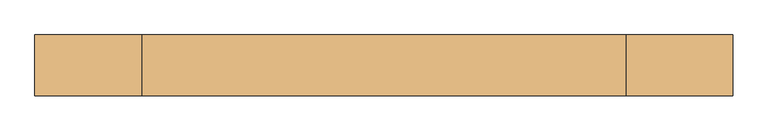
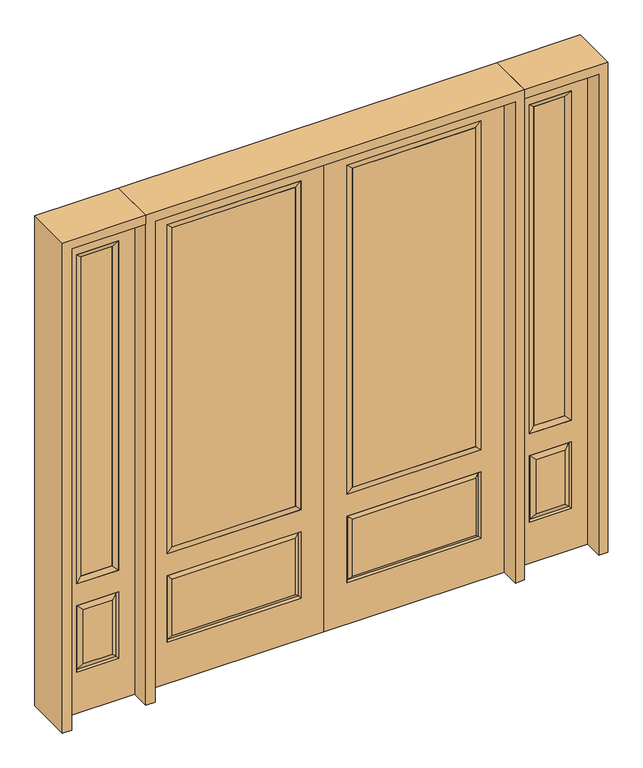
"""IFC4 building model written with IfcOpenShell, lengths in millimetres: door geometry."""

from ifc_helpers import new_model, si_unit, frame, origin, place, context, project, spatial, polyline, outline, extrude, faceted_brep, source, transform, mapped, element, save


def door_6f6eed37(model_context):
    return source(origin(), model_context, "Body", "SolidModel", [
        extrude(outline(polyline([(136.525, -20.32), (136.525, 5.08), (727.075, 5.08), (727.075, -20.32), (136.525, -20.32)])), frame((0.0, 0.0, 682.498), z_axis=(0.0, 0.0, 1.0), x_axis=(1.0, 0.0, 0.0)), (0.0, 0.0, 1.0), 1616.202),
        faceted_brep([(745.3661499, -12.7912373, 216.6588501), (727.86875, -22.225, 234.15625), (135.73125, -22.225, 234.15625), (118.2338501, -12.7912373, 216.6588501), (111.125, -22.225, 209.55), (752.475, -22.225, 209.55), (752.475, -22.225, 546.1), (745.3661499, -12.7912373, 538.9911499), (0.0, -22.225, 2438.4), (0.0, -22.225, 0.0), (863.6, -22.225, 0.0), (863.6, -22.225, 2438.4), (111.125, -22.225, 546.1), (111.125, -22.225, 2324.1), (752.475, -22.225, 2324.1), (752.475, -22.225, 657.098), (111.125, -22.225, 657.098), (727.86875, -22.225, 521.49375), (135.73125, -22.225, 521.49375), (118.2338501, -12.7912373, 538.9911499), (863.6, 22.225, 0.0), (863.6, 22.225, 2438.4), (0.0, 22.225, 0.0), (0.0, 22.225, 2438.4), (111.125, 22.225, 657.098), (111.125, 22.225, 2324.1), (752.475, 22.225, 657.098), (752.475, 22.225, 2324.1), (135.73125, 22.225, 234.15625), (135.73125, 22.225, 521.49375), (727.86875, 22.225, 521.49375), (727.86875, 22.225, 234.15625), (752.475, 22.225, 209.55), (752.475, 22.225, 546.1), (111.125, 22.225, 546.1), (111.125, 22.225, 209.55), (118.2338501, 12.7912373, 216.6588501), (745.3661499, 12.7912373, 216.6588501), (118.2338501, 12.7912373, 538.9911499), (745.3661499, 12.7912373, 538.9911499)], [[[0, 1, 2, 3]], [[3, 4, 5, 0]], [[5, 6, 7, 0]], [[8, 9, 10, 11], [4, 12, 6, 5], [13, 14, 15, 16]], [[1, 17, 18, 2]], [[3, 19, 12, 4]], [[2, 18, 19, 3]], [[0, 7, 17, 1]], [[6, 12, 19, 7]], [[7, 19, 18, 17]], [[10, 20, 21, 11]], [[9, 22, 20, 10]], [[8, 23, 22, 9]], [[16, 24, 25, 13]], [[15, 26, 24, 16]], [[14, 27, 26, 15]], [[28, 29, 30, 31]], [[23, 21, 20, 22], [25, 24, 26, 27], [32, 33, 34, 35]], [[32, 35, 36, 37]], [[35, 34, 38, 36]], [[39, 38, 34, 33]], [[37, 39, 33, 32]], [[36, 28, 31, 37]], [[31, 30, 39, 37]], [[30, 29, 38, 39]], [[36, 38, 29, 28]], [[11, 21, 23, 8]], [[13, 25, 27, 14]]]),
        faceted_brep([(752.475, -22.225, 2324.1), (752.475, -22.225, 657.098), (752.475, 22.225, 657.098), (752.475, 22.225, 2324.1), (111.125, -22.225, 657.098), (111.125, 22.225, 657.098), (136.525, 5.08, 682.498), (727.075, 5.08, 682.498), (111.125, -22.225, 2324.1), (111.125, 22.225, 2324.1), (727.075, -20.32, 682.498), (136.525, -20.32, 682.498), (727.075, -20.32, 2298.7), (136.525, -20.32, 2298.7), (727.075, 5.08, 2298.7), (136.525, 5.08, 2298.7)], [[[0, 1, 2, 3]], [[1, 4, 5, 2]], [[2, 5, 6, 7]], [[4, 8, 9, 5]], [[10, 11, 4, 1]], [[12, 10, 1, 0]], [[11, 13, 8, 4]], [[7, 6, 11, 10]], [[14, 7, 10, 12]], [[6, 15, 13, 11]], [[3, 2, 7, 14]], [[5, 9, 15, 6]], [[8, 0, 3, 9]], [[13, 12, 0, 8]], [[15, 14, 12, 13]], [[9, 3, 14, 15]]]),
        faceted_brep([(908.05, -22.225, 0.0), (1263.65, -22.225, 0.0), (1263.65, -22.225, 2438.4), (908.05, -22.225, 2438.4), (1186.18, -22.225, 2325.624), (1186.18, -22.225, 657.098), (985.52, -22.225, 657.098), (985.52, -22.225, 2325.624), (1186.18, -22.225, 209.55), (985.52, -22.225, 209.55), (985.52, -22.225, 546.1), (1186.18, -22.225, 546.1), (1017.2351001, -22.225, 241.2651001), (1154.4648999, -22.225, 241.2651001), (1154.4648999, -22.225, 514.3848999), (1017.2351001, -22.225, 514.3848999), (908.05, 22.225, 0.0), (908.05, 22.225, 2438.4), (1263.65, 22.225, 2438.4), (1263.65, 22.225, 0.0), (1186.18, 22.225, 2325.624), (985.52, 22.225, 2325.624), (985.52, 22.225, 657.098), (1186.18, 22.225, 657.098), (985.52, 22.225, 209.55), (1186.18, 22.225, 209.55), (1186.18, 22.225, 546.1), (985.52, 22.225, 546.1), (1154.4648999, 22.225, 241.2651001), (1017.2351001, 22.225, 241.2651001), (1017.2351001, 22.225, 514.3848999), (1154.4648999, 22.225, 514.3848999), (1179.0711499, 12.7912373, 216.6588501), (992.6288501, 12.7912373, 216.6588501), (992.6288501, 12.7912373, 538.9911499), (1179.0711499, 12.7912373, 538.9911499), (992.6288501, -12.7912373, 216.6588501), (1179.0711499, -12.7912373, 216.6588501), (992.6288501, -12.7912373, 538.9911499), (1179.0711499, -12.7912373, 538.9911499)], [[[0, 1, 2, 3], [4, 5, 6, 7], [8, 9, 10, 11]], [[12, 13, 14, 15]], [[16, 17, 18, 19], [20, 21, 22, 23], [24, 25, 26, 27]], [[28, 29, 30, 31]], [[1, 0, 16, 19]], [[2, 1, 19, 18]], [[3, 2, 18, 17]], [[0, 3, 17, 16]], [[5, 4, 20, 23]], [[6, 5, 23, 22]], [[7, 6, 22, 21]], [[4, 7, 21, 20]], [[32, 33, 29, 28]], [[33, 32, 25, 24]], [[29, 33, 34, 30]], [[33, 24, 27, 34]], [[30, 34, 35, 31]], [[34, 27, 26, 35]], [[32, 28, 31, 35]], [[25, 32, 35, 26]], [[12, 36, 37, 13]], [[37, 36, 9, 8]], [[36, 12, 15, 38]], [[9, 36, 38, 10]], [[38, 15, 14, 39]], [[10, 38, 39, 11]], [[13, 37, 39, 14]], [[37, 8, 11, 39]]]),
        faceted_brep([(985.52, 22.225, 2325.624), (985.52, -22.225, 2325.624), (1186.18, -22.225, 2325.624), (1186.18, 22.225, 2325.624), (1010.92, 12.7, 2300.224), (1160.78, 12.7, 2300.224), (1010.92, -12.7, 2300.224), (1160.78, -12.7, 2300.224), (1186.18, -22.225, 657.098), (1186.18, 22.225, 657.098), (1160.78, 12.7, 682.498), (1160.78, -12.7, 682.498), (985.52, -22.225, 657.098), (985.52, 22.225, 657.098), (1010.92, 12.7, 682.498), (1010.92, -12.7, 682.498)], [[[0, 1, 2, 3]], [[4, 0, 3, 5]], [[6, 4, 5, 7]], [[1, 6, 7, 2]], [[3, 2, 8, 9]], [[5, 3, 9, 10]], [[7, 5, 10, 11]], [[2, 7, 11, 8]], [[9, 8, 12, 13]], [[10, 9, 13, 14]], [[11, 10, 14, 15]], [[8, 11, 15, 12]], [[13, 12, 1, 0]], [[14, 13, 0, 4]], [[15, 14, 4, 6]], [[12, 15, 6, 1]]]),
        extrude(outline(polyline([(1160.78, -12.7), (1010.92, -12.7), (1010.92, 12.7), (1160.78, 12.7), (1160.78, -12.7)])), frame((0.0, 0.0, 682.498), z_axis=(0.0, 0.0, 1.0), x_axis=(1.0, 0.0, 0.0)), (0.0, 0.0, 1.0), 1617.726),
        faceted_brep([(-1263.65, -22.225, 0.0), (-908.05, -22.225, 0.0), (-908.05, -22.225, 2438.4), (-1263.65, -22.225, 2438.4), (-985.52, -22.225, 2325.624), (-985.52, -22.225, 657.098), (-1186.18, -22.225, 657.098), (-1186.18, -22.225, 2325.624), (-985.52, -22.225, 209.55), (-1186.18, -22.225, 209.55), (-1186.18, -22.225, 546.1), (-985.52, -22.225, 546.1), (-1154.4648999, -22.225, 241.2651001), (-1017.2351001, -22.225, 241.2651001), (-1017.2351001, -22.225, 514.3848999), (-1154.4648999, -22.225, 514.3848999), (-1263.65, 22.225, 0.0), (-1263.65, 22.225, 2438.4), (-908.05, 22.225, 2438.4), (-908.05, 22.225, 0.0), (-985.52, 22.225, 2325.624), (-1186.18, 22.225, 2325.624), (-1186.18, 22.225, 657.098), (-985.52, 22.225, 657.098), (-1186.18, 22.225, 209.55), (-985.52, 22.225, 209.55), (-985.52, 22.225, 546.1), (-1186.18, 22.225, 546.1), (-1017.2351001, 22.225, 241.2651001), (-1154.4648999, 22.225, 241.2651001), (-1154.4648999, 22.225, 514.3848999), (-1017.2351001, 22.225, 514.3848999), (-992.6288501, 12.7912373, 216.6588501), (-1179.0711499, 12.7912373, 216.6588501), (-1179.0711499, 12.7912373, 538.9911499), (-992.6288501, 12.7912373, 538.9911499), (-1179.0711499, -12.7912373, 216.6588501), (-992.6288501, -12.7912373, 216.6588501), (-1179.0711499, -12.7912373, 538.9911499), (-992.6288501, -12.7912373, 538.9911499)], [[[0, 1, 2, 3], [4, 5, 6, 7], [8, 9, 10, 11]], [[12, 13, 14, 15]], [[16, 17, 18, 19], [20, 21, 22, 23], [24, 25, 26, 27]], [[28, 29, 30, 31]], [[1, 0, 16, 19]], [[2, 1, 19, 18]], [[3, 2, 18, 17]], [[0, 3, 17, 16]], [[5, 4, 20, 23]], [[6, 5, 23, 22]], [[7, 6, 22, 21]], [[4, 7, 21, 20]], [[32, 33, 29, 28]], [[33, 32, 25, 24]], [[29, 33, 34, 30]], [[33, 24, 27, 34]], [[30, 34, 35, 31]], [[34, 27, 26, 35]], [[32, 28, 31, 35]], [[25, 32, 35, 26]], [[12, 36, 37, 13]], [[37, 36, 9, 8]], [[36, 12, 15, 38]], [[9, 36, 38, 10]], [[38, 15, 14, 39]], [[10, 38, 39, 11]], [[13, 37, 39, 14]], [[37, 8, 11, 39]]]),
        faceted_brep([(-1186.18, 22.225, 2325.624), (-1186.18, -22.225, 2325.624), (-985.52, -22.225, 2325.624), (-985.52, 22.225, 2325.624), (-1160.78, 12.7, 2300.224), (-1010.92, 12.7, 2300.224), (-1160.78, -12.7, 2300.224), (-1010.92, -12.7, 2300.224), (-985.52, -22.225, 657.098), (-985.52, 22.225, 657.098), (-1010.92, 12.7, 682.498), (-1010.92, -12.7, 682.498), (-1186.18, -22.225, 657.098), (-1186.18, 22.225, 657.098), (-1160.78, 12.7, 682.498), (-1160.78, -12.7, 682.498)], [[[0, 1, 2, 3]], [[4, 0, 3, 5]], [[6, 4, 5, 7]], [[1, 6, 7, 2]], [[3, 2, 8, 9]], [[5, 3, 9, 10]], [[7, 5, 10, 11]], [[2, 7, 11, 8]], [[9, 8, 12, 13]], [[10, 9, 13, 14]], [[11, 10, 14, 15]], [[8, 11, 15, 12]], [[13, 12, 1, 0]], [[14, 13, 0, 4]], [[15, 14, 4, 6]], [[12, 15, 6, 1]]]),
        extrude(outline(polyline([(-1010.92, -12.7), (-1160.78, -12.7), (-1160.78, 12.7), (-1010.92, 12.7), (-1010.92, -12.7)])), frame((0.0, 0.0, 682.498), z_axis=(0.0, 0.0, 1.0), x_axis=(1.0, 0.0, 0.0)), (0.0, 0.0, 1.0), 1617.726),
        extrude(outline(polyline([(-136.525, -20.32), (-727.075, -20.32), (-727.075, 5.08), (-136.525, 5.08), (-136.525, -20.32)])), frame((0.0, 0.0, 682.498), z_axis=(0.0, 0.0, 1.0), x_axis=(1.0, 0.0, 0.0)), (0.0, 0.0, 1.0), 1616.202),
        faceted_brep([(-745.3661499, -12.7912373, 216.6588501), (-118.2338501, -12.7912373, 216.6588501), (-135.73125, -22.225, 234.15625), (-727.86875, -22.225, 234.15625), (-752.475, -22.225, 209.55), (-111.125, -22.225, 209.55), (-745.3661499, -12.7912373, 538.9911499), (-752.475, -22.225, 546.1), (-135.73125, -22.225, 521.49375), (-727.86875, -22.225, 521.49375), (0.0, -22.225, 2438.4), (-863.6, -22.225, 2438.4), (-863.6, -22.225, 0.0), (0.0, -22.225, 0.0), (-111.125, -22.225, 546.1), (-111.125, -22.225, 2324.1), (-111.125, -22.225, 657.098), (-752.475, -22.225, 657.098), (-752.475, -22.225, 2324.1), (-118.2338501, -12.7912373, 538.9911499), (-863.6, 22.225, 2438.4), (-863.6, 22.225, 0.0), (0.0, 22.225, 0.0), (0.0, 22.225, 2438.4), (-111.125, 22.225, 2324.1), (-111.125, 22.225, 657.098), (-752.475, 22.225, 657.098), (-752.475, 22.225, 2324.1), (-752.475, 22.225, 209.55), (-111.125, 22.225, 209.55), (-111.125, 22.225, 546.1), (-752.475, 22.225, 546.1), (-135.73125, 22.225, 234.15625), (-727.86875, 22.225, 234.15625), (-727.86875, 22.225, 521.49375), (-135.73125, 22.225, 521.49375), (-745.3661499, 12.7912373, 216.6588501), (-118.2338501, 12.7912373, 216.6588501), (-118.2338501, 12.7912373, 538.9911499), (-745.3661499, 12.7912373, 538.9911499)], [[[0, 1, 2, 3]], [[1, 0, 4, 5]], [[4, 0, 6, 7]], [[3, 2, 8, 9]], [[10, 11, 12, 13], [5, 4, 7, 14], [15, 16, 17, 18]], [[1, 5, 14, 19]], [[2, 1, 19, 8]], [[0, 3, 9, 6]], [[7, 6, 19, 14]], [[6, 9, 8, 19]], [[12, 11, 20, 21]], [[13, 12, 21, 22]], [[10, 13, 22, 23]], [[16, 15, 24, 25]], [[17, 16, 25, 26]], [[18, 17, 26, 27]], [[23, 22, 21, 20], [28, 29, 30, 31], [24, 27, 26, 25]], [[32, 33, 34, 35]], [[28, 36, 37, 29]], [[29, 37, 38, 30]], [[39, 31, 30, 38]], [[36, 28, 31, 39]], [[37, 36, 33, 32]], [[33, 36, 39, 34]], [[34, 39, 38, 35]], [[37, 32, 35, 38]], [[11, 10, 23, 20]], [[15, 18, 27, 24]]]),
        faceted_brep([(-752.475, -22.225, 2324.1), (-752.475, 22.225, 2324.1), (-752.475, 22.225, 657.098), (-752.475, -22.225, 657.098), (-111.125, 22.225, 657.098), (-111.125, -22.225, 657.098), (-727.075, 5.08, 682.498), (-136.525, 5.08, 682.498), (-111.125, 22.225, 2324.1), (-111.125, -22.225, 2324.1), (-727.075, -20.32, 682.498), (-136.525, -20.32, 682.498), (-727.075, -20.32, 2298.7), (-136.525, -20.32, 2298.7), (-727.075, 5.08, 2298.7), (-136.525, 5.08, 2298.7)], [[[0, 1, 2, 3]], [[3, 2, 4, 5]], [[2, 6, 7, 4]], [[5, 4, 8, 9]], [[10, 3, 5, 11]], [[12, 0, 3, 10]], [[11, 5, 9, 13]], [[6, 10, 11, 7]], [[14, 12, 10, 6]], [[7, 11, 13, 15]], [[1, 14, 6, 2]], [[4, 7, 15, 8]], [[9, 8, 1, 0]], [[13, 9, 0, 12]], [[15, 13, 12, 14]], [[8, 15, 14, 1]]]),
        extrude(outline(polyline([(2438.4, -908.05), (2482.85, -908.05), (2482.85, -1308.1), (0.0, -1308.1), (0.0, -1263.65), (2438.4, -1263.65), (2438.4, -908.05)])), frame((0.0, -114.3, 0.0), z_axis=(0.0, 1.0, 0.0), x_axis=(0.0, 0.0, 1.0)), (0.0, 0.0, 1.0), 228.6),
        extrude(outline(polyline([(2482.85, -908.05), (0.0, -908.05), (0.0, -863.6), (2438.4, -863.6), (2438.4, 863.6), (0.0, 863.6), (0.0, 908.05), (2482.85, 908.05), (2482.85, -908.05)])), frame((0.0, -114.3, 0.0), z_axis=(0.0, 1.0, 0.0), x_axis=(0.0, 0.0, 1.0)), (0.0, 0.0, 1.0), 228.6),
        extrude(outline(polyline([(0.0, 1263.65), (0.0, 1308.1), (2482.85, 1308.1), (2482.85, 908.05), (2438.4, 908.05), (2438.4, 1263.65), (0.0, 1263.65)])), frame((0.0, -114.3, 0.0), z_axis=(0.0, 1.0, 0.0), x_axis=(0.0, 0.0, 1.0)), (0.0, 0.0, 1.0), 228.6),
    ])


if __name__ == "__main__":
    model = new_model("IFC4")
    model_context = context("Model", 3, world=origin())
    ifc_project = project(units=[si_unit("LENGTHUNIT", "METRE", prefix="MILLI")], contexts=[model_context])
    site = spatial("IfcSite", under=ifc_project)
    building = spatial("IfcBuilding", under=site)
    placement = place(None, origin())
    door_shape = door_6f6eed37(model_context)
    element("IfcDoor", 1, at=placement, inside=building, context=model_context, shape_type="MappedRepresentation", body=[
        mapped(door_shape, transform((0.0, 0.0, 0.0), x_axis=(1.0, 0.0, 0.0), y_axis=(0.0, 1.0, 0.0), z_axis=(0.0, 0.0, 1.0))),
    ])
    save(model, "model.ifc")
